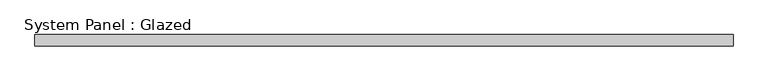
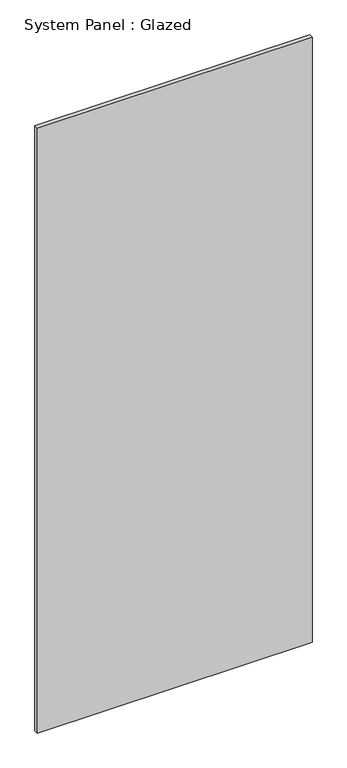
"""IFC4 building model written with IfcOpenShell, lengths in millimetres: plate geometry, System Panel : Glazed."""

from ifc_helpers import new_model, si_unit, origin, origin_with_axes, place, context, project, spatial, polyline, outline, extrude, source, transform, mapped, element, save


def system_panel_glazed_3785a1e4(model_context):
    return source(origin(), model_context, "Body", "SweptSolid", [
        extrude(outline(polyline([(785.5763619, 19.05), (-785.5763619, 19.05), (-785.5763619, 44.45), (785.5763619, 44.45), (785.5763619, 19.05)])), origin_with_axes(), (0.0, 0.0, 1.0), 3657.6),
    ])


if __name__ == "__main__":
    model = new_model("IFC4")
    model_context = context("Model", 3, world=origin())
    ifc_project = project(units=[si_unit("LENGTHUNIT", "METRE", prefix="MILLI")], contexts=[model_context])
    site = spatial("IfcSite", under=ifc_project)
    building = spatial("IfcBuilding", under=site)
    placement = place(None, origin())
    system_panel_glazed_shape = system_panel_glazed_3785a1e4(model_context)
    element("IfcPlate", 1, ObjectType="System Panel : Glazed", at=placement, inside=building, context=model_context, shape_type="MappedRepresentation", body=[
        mapped(system_panel_glazed_shape, transform((0.0, 0.0, 0.0), x_axis=(1.0, 0.0, 0.0), y_axis=(0.0, 1.0, 0.0), z_axis=(0.0, 0.0, 1.0))),
    ])
    save(model, "model.ifc")
